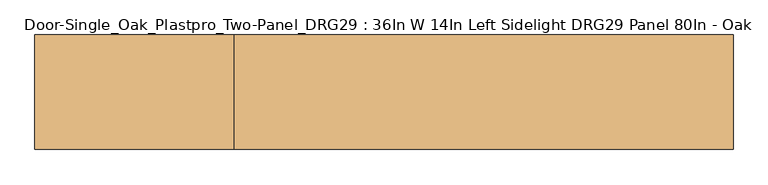
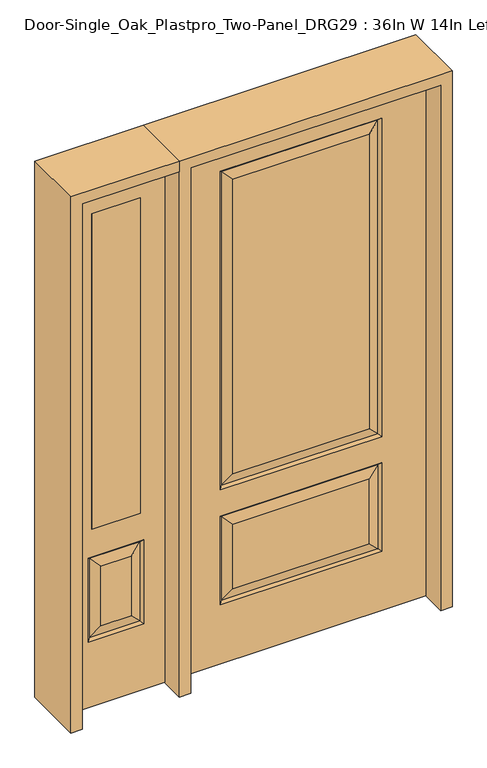
"""IFC4 building model written with IfcOpenShell, lengths in millimetres: door geometry, Door-Single_Oak_Plastpro_Two-Panel_DRG29 : 36In W 14In Left Sidelight DRG29 Panel 80In - Oak."""

from ifc_helpers import new_model, si_unit, frame, origin, place, context, project, spatial, polyline, outline, extrude, faceted_brep, source, transform, mapped, element, save


def door_single_oak_plastpro_two_panel_drg29_36in_w_14in_left_cadb137a(model_context):
    return source(origin(), model_context, "Body", "SolidModel", [
        faceted_brep([(-286.1796986, -11.6572439, 562.4046986), (-249.1224548, -20.6375, 525.3474548), (249.1224548, -20.6375, 525.3474548), (286.1796986, -11.6572439, 562.4046986), (249.1224548, -20.6375, 274.7525452), (286.1796986, -11.6572439, 237.6953014), (457.2, 20.6375, 0.0), (457.2, -20.6375, 0.0), (-457.2, -20.6375, 0.0), (-457.2, 20.6375, 0.0), (457.2, 20.6375, 2032.0), (457.2, -20.6375, 2032.0), (-249.1224548, -20.6375, 719.2525452), (249.1224548, -20.6375, 719.2525452), (249.1224548, -20.6375, 1858.8474548), (-249.1224548, -20.6375, 1858.8474548), (-457.2, -20.6375, 2032.0), (295.1599548, -20.6375, 673.2150452), (-295.1599548, -20.6375, 673.2150452), (-295.1599548, -20.6375, 1904.8849548), (295.1599548, -20.6375, 1904.8849548), (295.1599548, -20.6375, 228.7150452), (-295.1599548, -20.6375, 228.7150452), (-295.1599548, -20.6375, 571.3849548), (295.1599548, -20.6375, 571.3849548), (-249.1224548, -20.6375, 274.7525452), (-249.1224548, 20.6375, 274.7525452), (-286.1796986, 11.6572439, 237.6953014), (-286.1796986, 11.6572439, 562.4046986), (-249.1224548, 20.6375, 525.3474548), (-295.1599548, 20.6375, 228.7150452), (-295.1599548, 20.6375, 571.3849548), (286.1796986, 11.6572439, 237.6953014), (249.1224548, 20.6375, 274.7525452), (249.1224548, 20.6375, 525.3474548), (286.1796986, 11.6572439, 562.4046986), (286.1796986, 11.6572439, 682.1953014), (-286.1796986, 11.6572439, 682.1953014), (-249.1224548, 20.6375, 719.2525452), (249.1224548, 20.6375, 719.2525452), (-286.1796986, 11.6572439, 1895.9046986), (-249.1224548, 20.6375, 1858.8474548), (295.1599548, 20.6375, 571.3849548), (-286.1796986, -11.6572439, 237.6953014), (-457.2, 20.6375, 2032.0), (295.1599548, 20.6375, 228.7150452), (-295.1599548, 20.6375, 673.2150452), (295.1599548, 20.6375, 673.2150452), (295.1599548, 20.6375, 1904.8849548), (-295.1599548, 20.6375, 1904.8849548), (249.1224548, 20.6375, 1858.8474548), (286.1796986, 11.6572439, 1895.9046986), (286.1796986, -11.6572439, 682.1953014), (-286.1796986, -11.6572439, 682.1953014), (-286.1796986, -11.6572439, 1895.9046986), (286.1796986, -11.6572439, 1895.9046986)], [[[0, 1, 2, 3]], [[4, 5, 3, 2]], [[6, 7, 8, 9]], [[10, 11, 7, 6]], [[12, 13, 14, 15]], [[11, 16, 8, 7], [17, 18, 19, 20], [21, 22, 23, 24]], [[25, 4, 2, 1]], [[26, 27, 28, 29]], [[27, 30, 31, 28]], [[32, 33, 34, 35]], [[36, 37, 38, 39]], [[38, 37, 40, 41]], [[28, 31, 42, 35]], [[22, 43, 0, 23]], [[23, 0, 3, 24]], [[16, 44, 9, 8]], [[33, 26, 29, 34]], [[44, 10, 6, 9], [30, 45, 42, 31], [46, 47, 48, 49]], [[39, 38, 41, 50]], [[10, 44, 16, 11]], [[47, 36, 51, 48]], [[27, 32, 45, 30]], [[36, 39, 50, 51]], [[45, 32, 35, 42]], [[37, 36, 47, 46]], [[37, 46, 49, 40]], [[32, 27, 26, 33]], [[29, 28, 35, 34]], [[52, 53, 18, 17]], [[18, 53, 54, 19]], [[52, 17, 20, 55]], [[53, 52, 13, 12]], [[13, 52, 55, 14]], [[53, 12, 15, 54]], [[5, 43, 22, 21]], [[5, 21, 24, 3]], [[43, 5, 4, 25]], [[43, 25, 1, 0]], [[19, 54, 55, 20]], [[54, 15, 14, 55]], [[41, 40, 51, 50]], [[40, 49, 48, 51]]]),
        extrude(outline(polyline([(-765.175, -20.6375), (-765.175, 20.6375), (-587.375, 20.6375), (-587.375, -20.6375), (-765.175, -20.6375)])), frame((0.0, 0.0, 685.8), z_axis=(0.0, 0.0, 1.0), x_axis=(1.0, 0.0, 0.0)), (0.0, 0.0, 1.0), 1219.2),
        faceted_brep([(-765.175, -20.6375, 1905.0), (-765.175, 20.6375, 1905.0), (-587.375, 20.6375, 1905.0), (-587.375, -20.6375, 1905.0), (-731.7224548, -20.6375, 531.6974548), (-731.7224548, -20.6375, 300.1525452), (-620.8275452, -20.6375, 300.1525452), (-620.8275452, -20.6375, 531.6974548), (-498.475, -20.6375, 2032.0), (-854.075, -20.6375, 2032.0), (-854.075, -20.6375, 0.0), (-498.475, -20.6375, 0.0), (-777.7599548, -20.6375, 254.1150452), (-777.7599548, -20.6375, 577.7349548), (-574.7900452, -20.6375, 577.7349548), (-574.7900452, -20.6375, 254.1150452), (-587.375, -20.6375, 685.8), (-765.175, -20.6375, 685.8), (-768.7796986, 11.6572439, 568.7546986), (-768.7796986, 11.6572439, 263.0953014), (-777.7599548, 20.6375, 254.1150452), (-777.7599548, 20.6375, 577.7349548), (-574.7900452, 20.6375, 577.7349548), (-583.7703014, 11.6572439, 568.7546986), (-731.7224548, 20.6375, 531.6974548), (-731.7224548, 20.6375, 300.1525452), (-765.175, 20.6375, 685.8), (-587.375, 20.6375, 685.8), (-768.7796986, -11.6572439, 263.0953014), (-583.7703014, -11.6572439, 263.0953014), (-583.7703014, -11.6572439, 568.7546986), (-768.7796986, -11.6572439, 568.7546986), (-498.475, 20.6375, 2032.0), (-854.075, 20.6375, 2032.0), (-498.475, 20.6375, 0.0), (-854.075, 20.6375, 0.0), (-574.7900452, 20.6375, 254.1150452), (-620.8275452, 20.6375, 531.6974548), (-620.8275452, 20.6375, 300.1525452), (-583.7703014, 11.6572439, 263.0953014)], [[[0, 1, 2, 3]], [[4, 5, 6, 7]], [[8, 9, 10, 11], [12, 13, 14, 15], [0, 3, 16, 17]], [[18, 19, 20, 21]], [[18, 21, 22, 23]], [[19, 18, 24, 25]], [[26, 17, 16, 27]], [[5, 28, 29, 6]], [[6, 29, 30, 7]], [[28, 31, 13, 12]], [[32, 33, 9, 8]], [[34, 11, 10, 35]], [[32, 8, 11, 34]], [[9, 33, 35, 10]], [[33, 32, 34, 35], [21, 20, 36, 22], [2, 1, 26, 27]], [[25, 24, 37, 38]], [[20, 19, 39, 36]], [[36, 39, 23, 22]], [[24, 18, 23, 37]], [[39, 38, 37, 23]], [[19, 25, 38, 39]], [[1, 0, 17, 26]], [[3, 2, 27, 16]], [[31, 28, 5, 4]], [[31, 4, 7, 30]], [[13, 31, 30, 14]], [[29, 15, 14, 30]], [[28, 12, 15, 29]]]),
        extrude(outline(polyline([(2032.0, -498.475), (2073.275, -498.475), (2073.275, -895.35), (0.0, -895.35), (0.0, -854.075), (2032.0, -854.075), (2032.0, -498.475)])), frame((0.0, -114.3, 0.0), z_axis=(0.0, 1.0, 0.0), x_axis=(0.0, 0.0, 1.0)), (0.0, 0.0, 1.0), 228.6),
        extrude(outline(polyline([(2073.275, -498.475), (0.0, -498.475), (0.0, -457.2), (2032.0, -457.2), (2032.0, 457.2), (0.0, 457.2), (0.0, 498.475), (2073.275, 498.475), (2073.275, -498.475)])), frame((0.0, -114.3, 0.0), z_axis=(0.0, 1.0, 0.0), x_axis=(0.0, 0.0, 1.0)), (0.0, 0.0, 1.0), 228.6),
    ])


if __name__ == "__main__":
    model = new_model("IFC4")
    model_context = context("Model", 3, world=origin())
    ifc_project = project(units=[si_unit("LENGTHUNIT", "METRE", prefix="MILLI")], contexts=[model_context])
    site = spatial("IfcSite", under=ifc_project)
    building = spatial("IfcBuilding", under=site)
    placement = place(None, origin())
    door_single_oak_plastpro_two_panel_drg29_36in_w_14in_left_shape = door_single_oak_plastpro_two_panel_drg29_36in_w_14in_left_cadb137a(model_context)
    element("IfcDoor", 1, ObjectType="Door-Single_Oak_Plastpro_Two-Panel_DRG29 : 36In W 14In Left Sidelight DRG29 Panel 80In - Oak", at=placement, inside=building, context=model_context, shape_type="MappedRepresentation", body=[
        mapped(door_single_oak_plastpro_two_panel_drg29_36in_w_14in_left_shape, transform((0.0, 0.0, 0.0), x_axis=(1.0, 0.0, 0.0), y_axis=(0.0, 1.0, 0.0), z_axis=(0.0, 0.0, 1.0))),
    ])
    save(model, "model.ifc")
